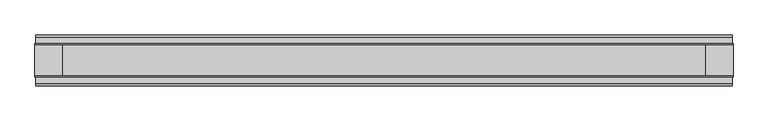
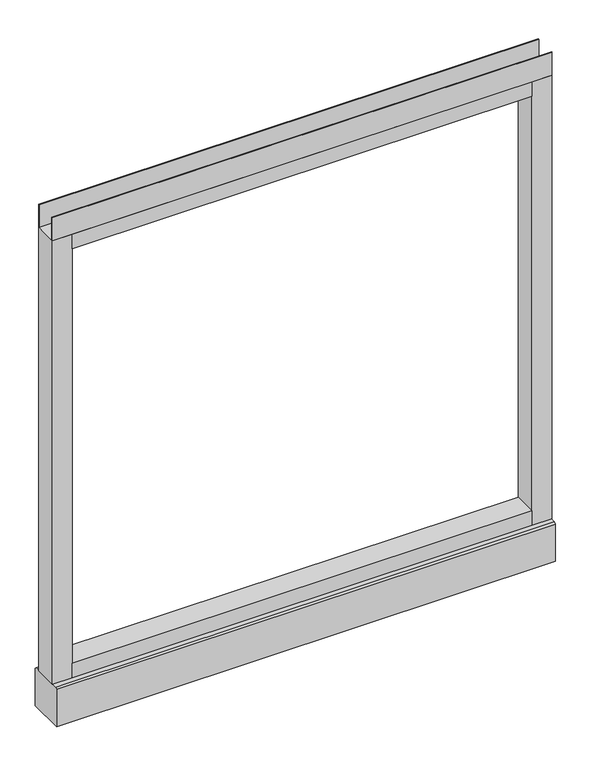
"""IFC4 building model written with IfcOpenShell, lengths in millimetres: furniture geometry."""

from ifc_helpers import new_model, si_unit, point, frame, frame_2d, origin, place, context, project, spatial, polyline, circle_curve, trimmed, segment, composite_curve, outline, extrude, source, transform, mapped, element, save
from ifc_brep_helpers import plane_surface, revolved_surface, advanced_brep


def furniture_b84d30e5(model_context):
    return source(origin(), model_context, "Body", "SolidModel", [
        advanced_brep(
        [(463.55, 0.0, 6.35), (488.95, 0.0, 6.35), (457.2, 0.0, 0.0), (495.3, 0.0, 0.0)],
        [
            (0, 1, circle_curve(frame((476.25, 0.0, 6.35), z_axis=(-3.04822833645449e-12, 0.0, 1.0), x_axis=(-1.0, 0.0, -3.0481774992714863e-12)), 12.7)),
            (1, 0, circle_curve(frame((476.25, 0.0, 6.35), z_axis=(-3.04822833645449e-12, 0.0, 1.0), x_axis=(1.0, 0.0, 3.0481774992807776e-12)), 12.7)),
            (2, 3, circle_curve(frame((476.25, 0.0, 0.0), z_axis=(3.04822833645449e-12, 0.0, -1.0), x_axis=(1.0, 0.0, 3.0481774992807776e-12)), 19.05)),
            (3, 2, circle_curve(frame((476.25, 0.0, 0.0), z_axis=(3.04822833645449e-12, 0.0, -1.0), x_axis=(-1.0, 0.0, -3.0481774992714863e-12)), 19.05)),
            (3, 1),
            (0, 2),
        ],
        [
            plane_surface(frame((476.25, 0.0, 6.35), z_axis=(0.0, 0.0, 1.0), x_axis=(0.0, -1.0, 0.0))),
            plane_surface(frame((476.25, 0.0, 0.0), z_axis=(0.0, 0.0, -1.0), x_axis=(0.0, -1.0, 0.0))),
            revolved_surface(polyline([(463.55, 0.0, 6.35), (457.19999999988386, 0.0, -1.1613821015998838e-10)]), (476.25, 0.0, 19.05), (3.04822833645449e-12, 0.0, -1.0)),
            revolved_surface(polyline([(488.94999999992257, 0.0, 6.350000000077424), (495.3, 0.0, 0.0)]), (476.25, 0.0, 19.05), (3.04822833645449e-12, 0.0, -1.0)),
        ],
        [
            (0, [[1, 2]]),
            (1, [[3, 4]]),
            (2, [[-4, 5, -1, 6]]),
            (3, [[-3, -6, -2, -5]]),
        ],
    ),
        advanced_brep(
        [(-488.95, 0.0, 6.35), (-463.55, 0.0, 6.35), (-495.3, 0.0, 0.0), (-457.2, 0.0, 0.0)],
        [
            (0, 1, circle_curve(frame((-476.25, 0.0, 6.35), z_axis=(1.065814103655416e-12, 0.0, 1.0), x_axis=(-1.0, 0.0, 1.065778760947478e-12)), 12.7)),
            (1, 0, circle_curve(frame((-476.25, 0.0, 6.35), z_axis=(1.065814103655416e-12, 0.0, 1.0), x_axis=(1.0, 0.0, -1.0657787609463422e-12)), 12.7)),
            (2, 3, circle_curve(frame((-476.25, 0.0, 0.0), z_axis=(-1.065814103655416e-12, 0.0, -1.0), x_axis=(1.0, 0.0, -1.0657787609463422e-12)), 19.05)),
            (3, 2, circle_curve(frame((-476.25, 0.0, 0.0), z_axis=(-1.065814103655416e-12, 0.0, -1.0), x_axis=(-1.0, 0.0, 1.065778760947478e-12)), 19.05)),
            (3, 1),
            (0, 2),
        ],
        [
            plane_surface(frame((-476.25, 0.0, 6.35), z_axis=(0.0, 0.0, 1.0), x_axis=(0.0, -1.0, 0.0))),
            plane_surface(frame((-476.25, 0.0, 0.0), z_axis=(0.0, 0.0, -1.0), x_axis=(0.0, -1.0, 0.0))),
            revolved_surface(polyline([(-488.94999999997293, 0.0, 6.350000000027071), (-495.3, 0.0, 0.0)]), (-476.25, 0.0, 19.05), (-1.065814103655416e-12, 0.0, -1.0)),
            revolved_surface(polyline([(-463.55, 0.0, 6.35), (-457.1999999999594, 0.0, -4.0607517348689726e-11)]), (-476.25, 0.0, 19.05), (-1.065814103655416e-12, 0.0, -1.0)),
        ],
        [
            (0, [[1, 2]]),
            (1, [[3, 4]]),
            (2, [[-4, 5, -1, 6]]),
            (3, [[-3, -6, -2, -5]]),
        ],
    ),
        extrude(outline(polyline([(533.4, -23.8125), (533.4, -25.4), (-533.4, -25.4), (-533.4, -23.8125), (533.4, -23.8125)])), frame((0.0, 0.0, 1102.233), z_axis=(0.0, 0.0, 1.0), x_axis=(1.0, 0.0, 0.0)), (0.0, 0.0, 1.0), 51.435),
        extrude(outline(polyline([(533.4, 25.4), (533.4, 23.8125), (-533.4, 23.8125), (-533.4, 25.4), (533.4, 25.4)])), frame((0.0, 0.0, 1102.233), z_axis=(0.0, 0.0, 1.0), x_axis=(1.0, 0.0, 0.0)), (0.0, 0.0, 1.0), 51.435),
        extrude(outline(polyline([(490.5375, -25.4), (-490.5375, -25.4), (-490.5375, 25.4), (490.5375, 25.4), (490.5375, -25.4)])), frame((0.0, 0.0, 1069.34), z_axis=(0.0, 0.0, 1.0), x_axis=(1.0, 0.0, 0.0)), (0.0, 0.0, 1.0), 32.893),
        extrude(outline(polyline([(490.5375, -25.4), (-490.5375, -25.4), (-490.5375, 25.4), (490.5375, 25.4), (490.5375, -25.4)])), frame((0.0, 0.0, 101.6), z_axis=(0.0, 0.0, 1.0), x_axis=(1.0, 0.0, 0.0)), (0.0, 0.0, 1.0), 32.893),
        extrude(outline(composite_curve([segment(trimmed(circle_curve(frame_2d((-476.25, 0.0)), 5.55625), [point((-481.80625, 0.0))], [point((-470.69375, 0.0))], False, "CARTESIAN"), True, "CONTINUOUS"), segment(trimmed(circle_curve(frame_2d((-476.25, 0.0)), 5.55625), [point((-470.69375, 0.0))], [point((-481.80625, 0.0))], False, "CARTESIAN"), True, "CONTINUOUS")], self_intersect=False)), frame((0.0, 0.0, 6.35), z_axis=(0.0, 0.0, 1.0), x_axis=(1.0, 0.0, 0.0)), (0.0, 0.0, 1.0), 7.9375),
        extrude(outline(composite_curve([segment(trimmed(circle_curve(frame_2d((476.25, 0.0)), 5.55625), [point((470.69375, 0.0))], [point((481.80625, 0.0))], False, "CARTESIAN"), True, "CONTINUOUS"), segment(trimmed(circle_curve(frame_2d((476.25, 0.0)), 5.55625), [point((481.80625, 0.0))], [point((470.69375, 0.0))], False, "CARTESIAN"), True, "CONTINUOUS")], self_intersect=False)), frame((0.0, 0.0, 6.35), z_axis=(0.0, 0.0, 1.0), x_axis=(1.0, 0.0, 0.0)), (0.0, 0.0, 1.0), 7.9375),
        extrude(outline(polyline([(-490.5375, -25.4), (-533.4, -25.4), (-533.4, 25.4), (-490.5375, 25.4), (-490.5375, -25.4)])), frame((0.0, 0.0, 101.6), z_axis=(0.0, 0.0, 1.0), x_axis=(1.0, 0.0, 0.0)), (0.0, 0.0, 1.0), 1000.633),
        extrude(outline(polyline([(533.4, -25.4), (490.5375, -25.4), (490.5375, 25.4), (533.4, 25.4), (533.4, -25.4)])), frame((0.0, 0.0, 101.6), z_axis=(0.0, 0.0, 1.0), x_axis=(1.0, 0.0, 0.0)), (0.0, 0.0, 1.0), 1000.633),
        extrude(outline(polyline([(-35.9171875, 101.6), (35.9171875, 101.6), (39.0921875, 98.425), (39.0921875, 14.2875), (-39.0921875, 14.2875), (-39.0921875, 98.425), (-35.9171875, 101.6)])), frame((-532.257, 0.0, 0.0), z_axis=(1.0, 0.0, 0.0), x_axis=(0.0, 1.0, 0.0)), (0.0, 0.0, 1.0), 1064.5140102),
    ])


if __name__ == "__main__":
    model = new_model("IFC4")
    model_context = context("Model", 3, world=origin())
    ifc_project = project(units=[si_unit("LENGTHUNIT", "METRE", prefix="MILLI")], contexts=[model_context])
    site = spatial("IfcSite", under=ifc_project)
    building = spatial("IfcBuilding", under=site)
    placement = place(None, origin())
    furniture_shape = furniture_b84d30e5(model_context)
    element("IfcFurniture", 1, at=placement, inside=building, context=model_context, shape_type="MappedRepresentation", body=[
        mapped(furniture_shape, transform((0.0, 0.0, 0.0), x_axis=(1.0, 0.0, 0.0), y_axis=(0.0, 1.0, 0.0), z_axis=(0.0, 0.0, 1.0))),
    ])
    save(model, "model.ifc")
